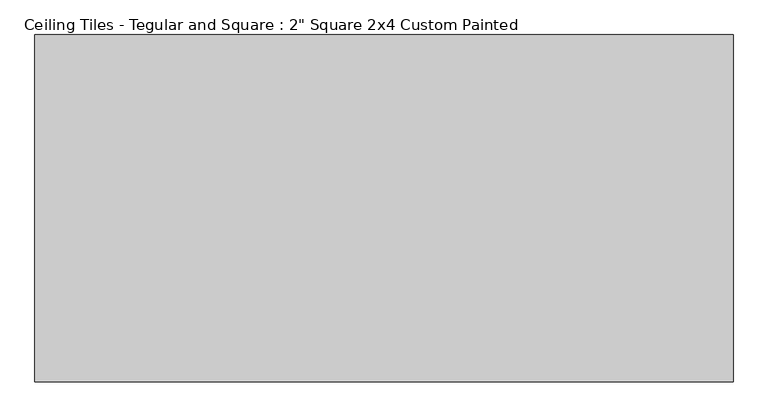
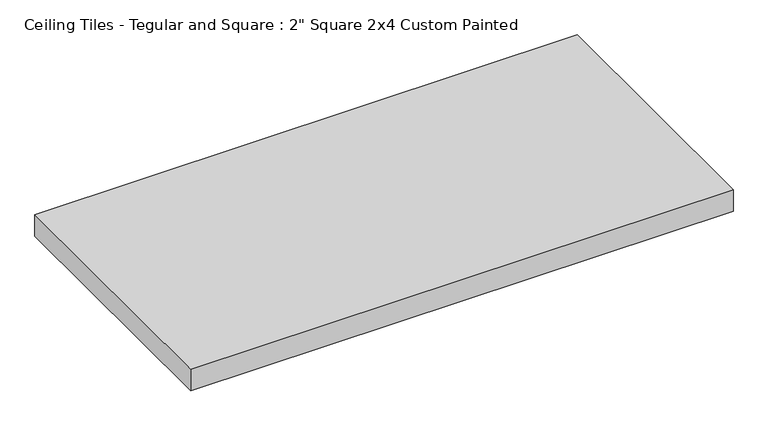
"""IFC4 building model written with IfcOpenShell, lengths in millimetres: proxy geometry."""

from ifc_helpers import new_model, si_unit, origin, origin_with_axes, place, context, project, spatial, polyline, outline, extrude, source, transform, mapped, element, save


def proxy_1e977a0c(model_context):
    return source(origin(), model_context, "Body", "SweptSolid", [
        extrude(outline(polyline([(-606.425, 301.625), (606.425, 301.625), (606.425, -301.625), (-606.425, -301.625), (-606.425, 301.625)])), origin_with_axes(), (0.0, 0.0, 1.0), 50.8),
    ])


if __name__ == "__main__":
    model = new_model("IFC4")
    model_context = context("Model", 3, world=origin())
    ifc_project = project(units=[si_unit("LENGTHUNIT", "METRE", prefix="MILLI")], contexts=[model_context])
    site = spatial("IfcSite", under=ifc_project)
    building = spatial("IfcBuilding", under=site)
    placement = place(None, origin())
    proxy_shape = proxy_1e977a0c(model_context)
    element("IfcBuildingElementProxy", 1, Name="Ceiling Tiles - Tegular and Square : 2\" Square 2x4 Custom Painted", ObjectType="Ceiling Tiles - Tegular and Square : 2\" Square 2x4 Custom Painted", at=placement, inside=building, context=model_context, shape_type="MappedRepresentation", body=[
        mapped(proxy_shape, transform((0.0, 0.0, 0.0), x_axis=(1.0, 0.0, 0.0), y_axis=(0.0, 1.0, 0.0), z_axis=(0.0, 0.0, 1.0))),
    ])
    save(model, "model.ifc")
